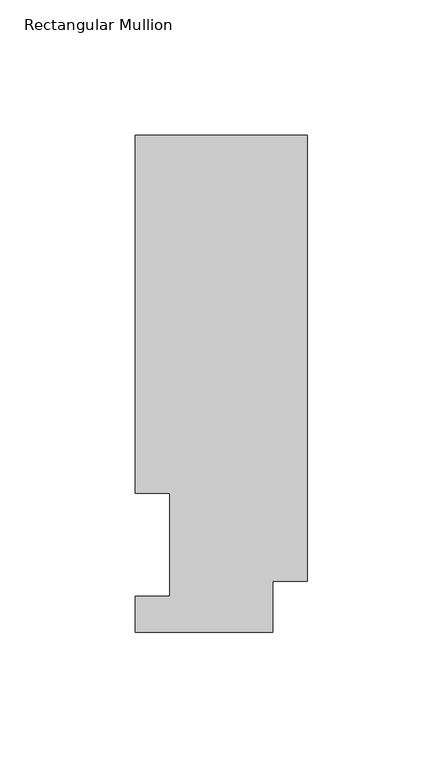
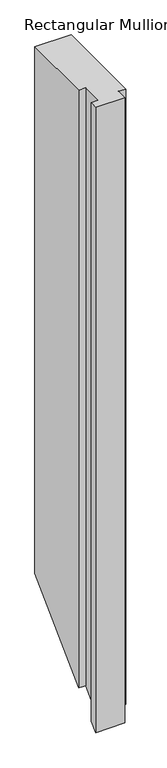
"""IFC4 building model written with IfcOpenShell, lengths in millimetres: member geometry, Rectangular Mullion."""

from ifc_helpers import new_model, si_unit, origin, place, context, project, spatial, faceted_brep, source, transform, mapped, element, save


def rectangular_mullion_bdb2cb29(model_context):
    return source(origin(), model_context, "Body", "Brep", [
        faceted_brep([(0.0, 18.7332937, 0.0), (0.0, 183.4446737, 0.0), (-63.5, 183.4446737, 0.0), (-63.5, 51.2960937, 0.0), (-50.8, 51.2960937, 0.0), (-50.8, 13.1960938, 0.0), (-63.5, 13.1960938, 0.0), (-63.5, 0.0134937, 0.0), (-12.7, 0.0134937, 0.0), (-12.7, 18.7332937, 0.0), (-12.7, 18.7332937, -1136.9667063), (0.0, 18.7332937, -1136.9667063), (0.0, 183.4446737, -972.2553263), (-63.5, 183.4446737, -972.2553263), (-63.5, 51.2960937, -1104.4039062), (-50.8, 51.2960937, -1104.4039062), (-50.8, 13.1960938, -1142.5039062), (-63.5, 13.1960938, -1142.5039062), (-63.5, 0.0134937, -1155.6865063), (-12.7, 0.0134937, -1155.6865063)], [[[0, 1, 2, 3, 4, 5, 6, 7, 8, 9]], [[0, 9, 10, 11]], [[1, 0, 11, 12]], [[2, 1, 12, 13]], [[3, 2, 13, 14]], [[4, 3, 14, 15]], [[5, 4, 15, 16]], [[6, 5, 16, 17]], [[7, 6, 17, 18]], [[8, 7, 18, 19]], [[11, 10, 19, 18, 17, 16, 15, 14, 13, 12]], [[9, 8, 19, 10]]]),
    ])


if __name__ == "__main__":
    model = new_model("IFC4")
    model_context = context("Model", 3, world=origin())
    ifc_project = project(units=[si_unit("LENGTHUNIT", "METRE", prefix="MILLI")], contexts=[model_context])
    site = spatial("IfcSite", under=ifc_project)
    building = spatial("IfcBuilding", under=site)
    placement = place(None, origin())
    rectangular_mullion_shape = rectangular_mullion_bdb2cb29(model_context)
    element("IfcMember", 1, ObjectType="Rectangular Mullion", at=placement, inside=building, context=model_context, shape_type="MappedRepresentation", body=[
        mapped(rectangular_mullion_shape, transform((0.0, 0.0, 0.0), x_axis=(1.0, 0.0, 0.0), y_axis=(0.0, 1.0, 0.0), z_axis=(0.0, 0.0, 1.0))),
    ])
    save(model, "model.ifc")
